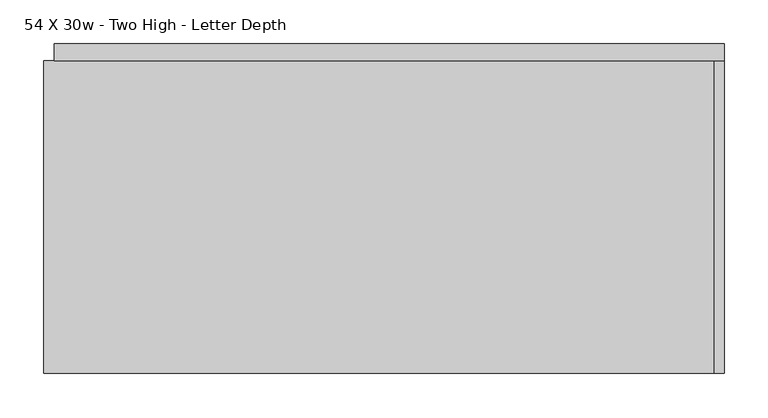
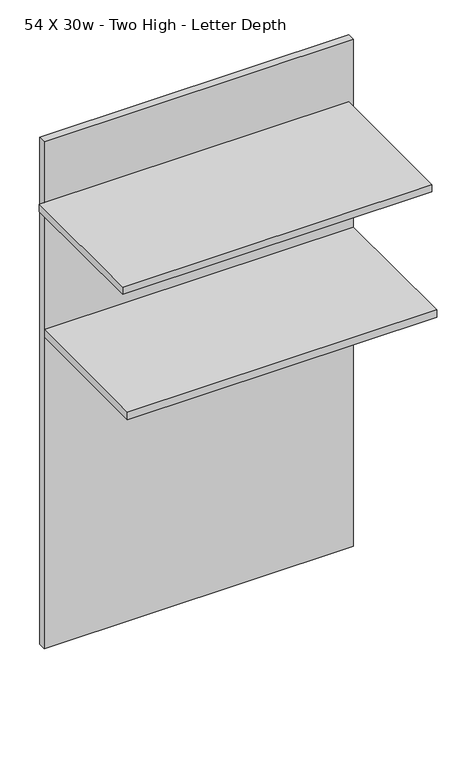
"""IFC4 building model written with IfcOpenShell, lengths in millimetres: furniture geometry, 54 X 30w - Two High - Letter Depth."""

import ifcopenshell
import ifcopenshell.guid

model = None  # the IFC model being written
_history = None  # IfcOwnerHistory: only IFC2X3 demands one
_inside = {}  # id of a spatial element -> (the spatial element, [elements in it])
_under = {}  # id of a project, library or spatial element -> (it, [spatial elements below it])
_declared = {}  # id of a project -> (the project, [libraries it declares])
_typed = {}  # id of a type object -> (the type object, [elements of that type])
_made_of = {}  # id of a material, layer set ... -> (it, [elements and type objects made of it])


def new_model(schema):
    """Start an empty IFC model of exactly this schema.

    Asked for "IFC4X3", IfcOpenShell would pick the latest addendum, in which some entities
    have other attributes; the version numbers below select the first issue.
    IFC2X3 requires an IfcOwnerHistory on every rooted entity: one is made here for all.
    """
    global model, _history
    if schema == "IFC4X3":
        model = ifcopenshell.file(schema_version=(4, 3, 0, 0))
    else:
        model = ifcopenshell.file(schema=schema)
    _inside.clear()
    _under.clear()
    _declared.clear()
    _typed.clear()
    _made_of.clear()
    _history = None
    if model.schema == "IFC2X3":
        org = make("IfcOrganization", Name="unknown")
        user = make(
            "IfcPersonAndOrganization",
            ThePerson=make("IfcPerson", FamilyName="unknown"),
            TheOrganization=org,
        )
        app = make(
            "IfcApplication",
            ApplicationDeveloper=org,
            Version="unknown",
            ApplicationFullName="unknown",
            ApplicationIdentifier="unknown",
        )
        _history = make(
            "IfcOwnerHistory",
            OwningUser=user,
            OwningApplication=app,
            ChangeAction="ADDED",
            CreationDate=0,
        )
    return model


def make(cls, **values):
    """One entity of the class cls with the attributes given. An attribute that is None is left unset."""
    return model.create_entity(
        cls, **{name: value for name, value in values.items() if value is not None}
    )


def rooted(cls, **values):
    """An entity with a GlobalId (a new one), such as an element, a storey or a relation."""
    return make(cls, GlobalId=ifcopenshell.guid.new(), OwnerHistory=_history, **values)


def si_unit(unit_type, name, prefix=None):
    """IfcSIUnit, for example si_unit("LENGTHUNIT", "METRE", prefix="MILLI")."""
    return make("IfcSIUnit", UnitType=unit_type, Prefix=prefix, Name=name)


def assignment(units):
    """IfcUnitAssignment: the units of a project."""
    return None if units is None else make("IfcUnitAssignment", Units=units)


def point(xyz):
    """IfcCartesianPoint."""
    return None if xyz is None else make("IfcCartesianPoint", Coordinates=xyz)


def direction(xyz):
    """IfcDirection."""
    return None if xyz is None else make("IfcDirection", DirectionRatios=xyz)


def frame(location, z_axis=None, x_axis=None):
    """IfcAxis2Placement3D, a coordinate frame: its origin and axes. An axis left out is left unset."""
    return make(
        "IfcAxis2Placement3D",
        Location=point(location),
        Axis=direction(z_axis),
        RefDirection=direction(x_axis),
    )


def origin():
    """The frame at (0, 0, 0) with its axes left unset."""
    return frame((0.0, 0.0, 0.0))


def origin_with_axes():
    """The frame at (0, 0, 0) with the z axis (0, 0, 1) and the x axis (1, 0, 0) written out."""
    return frame((0.0, 0.0, 0.0), z_axis=(0.0, 0.0, 1.0), x_axis=(1.0, 0.0, 0.0))


def place(relative_to, where):
    """IfcLocalPlacement: puts the frame where relative to a parent placement (None: the world)."""
    return make(
        "IfcLocalPlacement", PlacementRelTo=relative_to, RelativePlacement=where
    )


def context(
    kind, dimensions, precision=None, world=None, true_north=None, identifier=None
):
    """IfcGeometricRepresentationContext, for example the 3D "Model" context."""
    return make(
        "IfcGeometricRepresentationContext",
        ContextIdentifier=identifier,
        ContextType=kind,
        CoordinateSpaceDimension=dimensions,
        Precision=precision,
        WorldCoordinateSystem=world,
        TrueNorth=true_north,
    )


def project(units=None, contexts=None):
    """IfcProject with its units and contexts."""
    return rooted(
        "IfcProject",
        Name="project",
        RepresentationContexts=contexts,
        UnitsInContext=assignment(units),
    )


def spatial(cls, under=None, at=None, **own):
    """A site, building, storey or space (cls), placed at a placement, below another one or the project."""
    s = rooted(cls, ObjectPlacement=at, **own)
    if under is not None:
        _under.setdefault(under.id(), (under, []))[1].append(s)
    return s


def polyline(points):
    """IfcPolyline through the points."""
    return make("IfcPolyline", Points=[point(p) for p in points])


def outline(outer, holes=None, kind="AREA"):
    """IfcArbitraryClosedProfileDef: a profile drawn as a closed curve; with holes, ...WithVoids."""
    if holes is None:
        return make("IfcArbitraryClosedProfileDef", ProfileType=kind, OuterCurve=outer)
    return make(
        "IfcArbitraryProfileDefWithVoids",
        ProfileType=kind,
        OuterCurve=outer,
        InnerCurves=holes,
    )


def extrude(swept, where, along, depth):
    """IfcExtrudedAreaSolid: the profile swept, set in the frame where, extruded along a direction by depth."""
    return make(
        "IfcExtrudedAreaSolid",
        SweptArea=swept,
        Position=where,
        ExtrudedDirection=direction(along),
        Depth=depth,
    )


def shape(context_of_items, identifier, shape_type, items):
    """IfcShapeRepresentation: the items that make up one representation, for example the "Body"."""
    return make(
        "IfcShapeRepresentation",
        ContextOfItems=context_of_items,
        RepresentationIdentifier=identifier,
        RepresentationType=shape_type,
        Items=items,
    )


def source(mapping_origin, context_of_items, identifier, shape_type, items):
    """IfcRepresentationMap: a shape defined once, which mapped items show again and again."""
    return make(
        "IfcRepresentationMap",
        MappingOrigin=mapping_origin,
        MappedRepresentation=shape(context_of_items, identifier, shape_type, items),
    )


def transform(
    local_origin,
    x_axis=None,
    y_axis=None,
    z_axis=None,
    scale=None,
    scale2=None,
    scale3=None,
    uniform=True,
):
    """IfcCartesianTransformationOperator3D, or its non-uniform kind. x_axis, y_axis, z_axis: its Axis1, 2, 3."""
    if uniform:
        return make(
            "IfcCartesianTransformationOperator3D",
            Axis1=direction(x_axis),
            Axis2=direction(y_axis),
            LocalOrigin=point(local_origin),
            Scale=scale,
            Axis3=direction(z_axis),
        )
    return make(
        "IfcCartesianTransformationOperator3DnonUniform",
        Axis1=direction(x_axis),
        Axis2=direction(y_axis),
        LocalOrigin=point(local_origin),
        Scale=scale,
        Axis3=direction(z_axis),
        Scale2=scale2,
        Scale3=scale3,
    )


def mapped(mapping_source, mapping_target):
    """IfcMappedItem: shows the shape of a source again, moved by a transform."""
    return make(
        "IfcMappedItem", MappingSource=mapping_source, MappingTarget=mapping_target
    )


def made_of(thing, what):
    """Note that an element or type object is made of a material, layer set ...; save() writes the relation."""
    if what is not None:
        _made_of.setdefault(what.id(), (what, []))[1].append(thing)
    return thing


def element(
    cls,
    number,
    at=None,
    inside=None,
    cuts=None,
    type_object=None,
    material=None,
    context=None,
    identifier="Body",
    shape_type=None,
    held_by="IfcProductDefinitionShape",
    body=None,
    shapes=None,
    **own,
):
    """One element of the class cls, such as IfcWall. Its Tag is "e" and its number.

    at: its placement. inside: the storey or other place that contains it. cuts: it is an
    opening in that element (IfcRelVoidsElement). A single representation is given by context,
    identifier, shape_type and body (its items); several are given by shapes. held_by: the class
    of the entity that holds the representations. save() writes the other relations.
    """
    e = rooted(cls, Tag="e%d" % number, ObjectPlacement=at, **own)
    if body is not None:
        shapes = [shape(context, identifier, shape_type, body)]
    if shapes is not None:
        e.Representation = make(held_by, Representations=shapes)
    if inside is not None:
        _inside.setdefault(inside.id(), (inside, []))[1].append(e)
    if cuts is not None:
        rooted(
            "IfcRelVoidsElement", RelatingBuildingElement=cuts, RelatedOpeningElement=e
        )
    if type_object is not None:
        _typed.setdefault(type_object.id(), (type_object, []))[1].append(e)
    return made_of(e, material)


def aggregate(whole, parts):
    """IfcRelAggregates: a whole, such as a stair, and the parts it consists of."""
    return rooted("IfcRelAggregates", RelatingObject=whole, RelatedObjects=parts)


def save(model, path):
    """Write the relations noted so far, then the file.

    IfcRelAggregates (storeys below a building ...), IfcRelContainedInSpatialStructure (elements
    in a storey), IfcRelDefinesByType, IfcRelAssociatesMaterial and IfcRelDeclares: one each for
    every whole, place, type object, material and project.
    """
    for whole, parts in _under.values():
        aggregate(whole, parts)
    for where, things in _inside.values():
        rooted(
            "IfcRelContainedInSpatialStructure",
            RelatedElements=things,
            RelatingStructure=where,
        )
    for kind, things in _typed.values():
        rooted("IfcRelDefinesByType", RelatedObjects=things, RelatingType=kind)
    for what, things in _made_of.values():
        rooted("IfcRelAssociatesMaterial", RelatedObjects=things, RelatingMaterial=what)
    for by, libraries in _declared.values():
        rooted("IfcRelDeclares", RelatingContext=by, RelatedDefinitions=libraries)
    model.write(path)


def furniture_54_x_30w_two_high_letter_depth_57e81b0e(model_context):
    return source(origin(), model_context, "Body", "SweptSolid", [
        extrude(outline(polyline([(-390.0740124, -386.0843594), (-390.0740124, -30.4843594), (371.9259876, -30.4843594), (371.9259876, -386.0843594), (-390.0740124, -386.0843594)])), frame((0.0, 0.0, 1143.0), z_axis=(0.0, 0.0, 1.0), x_axis=(1.0, 0.0, 0.0)), (0.0, 0.0, 1.0), 19.05),
        extrude(outline(polyline([(383.4402902, -30.4843594), (-378.5597098, -30.4843594), (-378.5597098, -11.4343594), (383.4402902, -11.4343594), (383.4402902, -30.4843594)])), origin_with_axes(), (0.0, 0.0, 1.0), 1320.8),
        extrude(outline(polyline([(-378.5597098, -386.0843594), (-378.5597098, -30.4843594), (383.4402902, -30.4843594), (383.4402902, -386.0843594), (-378.5597098, -386.0843594)])), frame((0.0, 0.0, 812.8), z_axis=(0.0, 0.0, 1.0), x_axis=(1.0, 0.0, 0.0)), (0.0, 0.0, 1.0), 19.05),
    ])


if __name__ == "__main__":
    model = new_model("IFC4")
    model_context = context("Model", 3, world=origin())
    ifc_project = project(units=[si_unit("LENGTHUNIT", "METRE", prefix="MILLI")], contexts=[model_context])
    site = spatial("IfcSite", under=ifc_project)
    building = spatial("IfcBuilding", under=site)
    placement = place(None, origin())
    furniture_54_x_30w_two_high_letter_depth_shape = furniture_54_x_30w_two_high_letter_depth_57e81b0e(model_context)
    element("IfcFurniture", 1, ObjectType="54 X 30w - Two High - Letter Depth", at=placement, inside=building, context=model_context, shape_type="MappedRepresentation", body=[
        mapped(furniture_54_x_30w_two_high_letter_depth_shape, transform((0.0, 0.0, 0.0), x_axis=(1.0, 0.0, 0.0), y_axis=(0.0, 1.0, 0.0), z_axis=(0.0, 0.0, 1.0))),
    ])
    save(model, "model.ifc")
